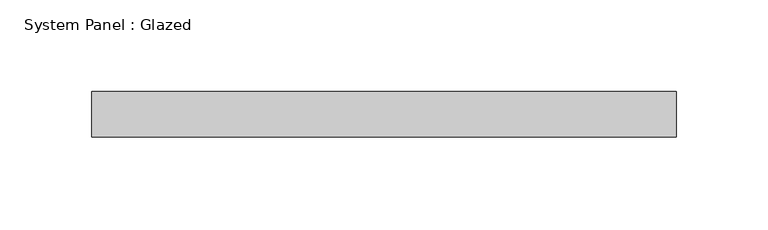
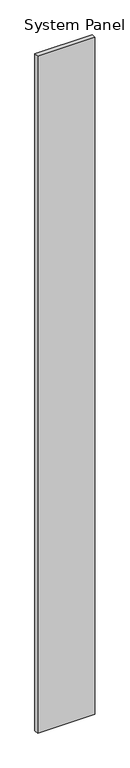
"""IFC4 building model written with IfcOpenShell, lengths in millimetres: plate geometry, System Panel : Glazed."""

from ifc_helpers import new_model, si_unit, origin, origin_with_axes, place, context, project, spatial, polyline, outline, extrude, source, transform, mapped, element, save


def system_panel_glazed_1220d4dc(model_context):
    return source(origin(), model_context, "Body", "SweptSolid", [
        extrude(outline(polyline([(159.6986552, -49.5), (-159.6986552, -49.5), (-159.6986552, -24.5), (159.6986552, -24.5), (159.6986552, -49.5)])), origin_with_axes(), (0.0, 0.0, 1.0), 3985.0),
    ])


if __name__ == "__main__":
    model = new_model("IFC4")
    model_context = context("Model", 3, world=origin())
    ifc_project = project(units=[si_unit("LENGTHUNIT", "METRE", prefix="MILLI")], contexts=[model_context])
    site = spatial("IfcSite", under=ifc_project)
    building = spatial("IfcBuilding", under=site)
    placement = place(None, origin())
    system_panel_glazed_shape = system_panel_glazed_1220d4dc(model_context)
    element("IfcPlate", 1, ObjectType="System Panel : Glazed", at=placement, inside=building, context=model_context, shape_type="MappedRepresentation", body=[
        mapped(system_panel_glazed_shape, transform((0.0, 0.0, 0.0), x_axis=(1.0, 0.0, 0.0), y_axis=(0.0, 1.0, 0.0), z_axis=(0.0, 0.0, 1.0))),
    ])
    save(model, "model.ifc")
